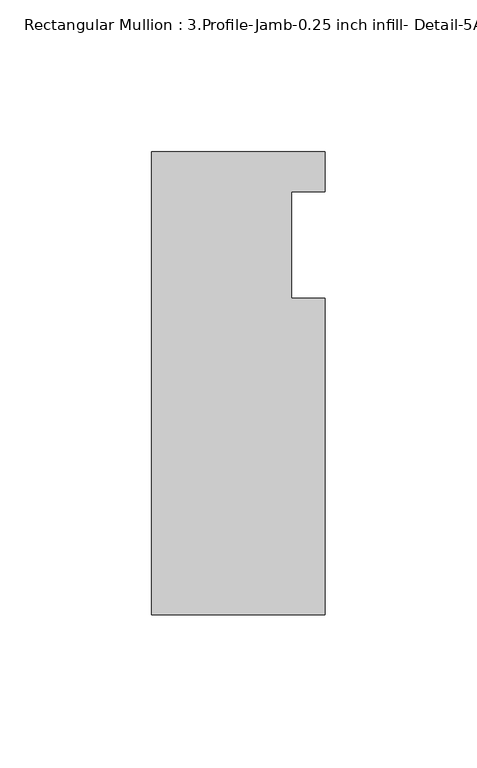
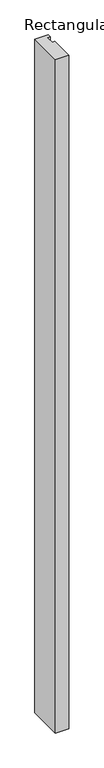
"""IFC4 building model written with IfcOpenShell, lengths in millimetres: member geometry, Rectangular Mullion : 3.Profile-Jamb-0.25 inch infill- Detail-5A."""

from ifc_helpers import new_model, si_unit, frame, origin, place, context, project, spatial, polyline, outline, extrude, source, transform, mapped, element, save


def rectangular_mullion_3_profile_jamb_0_25_inch_infill_detail_41d81620(model_context):
    return source(origin(), model_context, "Body", "SweptSolid", [
        extrude(outline(polyline([(-57.15, -76.2), (-57.15, 76.2), (0.0, 76.2), (0.0, 63.0047), (-11.1125, 63.0047), (-11.1125, 28.0416), (0.0, 28.0416), (0.0, -76.2), (-57.15, -76.2)])), frame((0.0, 0.0, -3048.0), z_axis=(0.0, 0.0, 1.0), x_axis=(1.0, 0.0, 0.0)), (0.0, 0.0, 1.0), 3048.0),
    ])


if __name__ == "__main__":
    model = new_model("IFC4")
    model_context = context("Model", 3, world=origin())
    ifc_project = project(units=[si_unit("LENGTHUNIT", "METRE", prefix="MILLI")], contexts=[model_context])
    site = spatial("IfcSite", under=ifc_project)
    building = spatial("IfcBuilding", under=site)
    placement = place(None, origin())
    rectangular_mullion_3_profile_jamb_0_25_inch_infill_detail_shape = rectangular_mullion_3_profile_jamb_0_25_inch_infill_detail_41d81620(model_context)
    element("IfcMember", 1, ObjectType="Rectangular Mullion : 3.Profile-Jamb-0.25 inch infill- Detail-5A", at=placement, inside=building, context=model_context, shape_type="MappedRepresentation", body=[
        mapped(rectangular_mullion_3_profile_jamb_0_25_inch_infill_detail_shape, transform((0.0, 0.0, 0.0), x_axis=(1.0, 0.0, 0.0), y_axis=(0.0, 1.0, 0.0), z_axis=(0.0, 0.0, 1.0))),
    ])
    save(model, "model.ifc")
